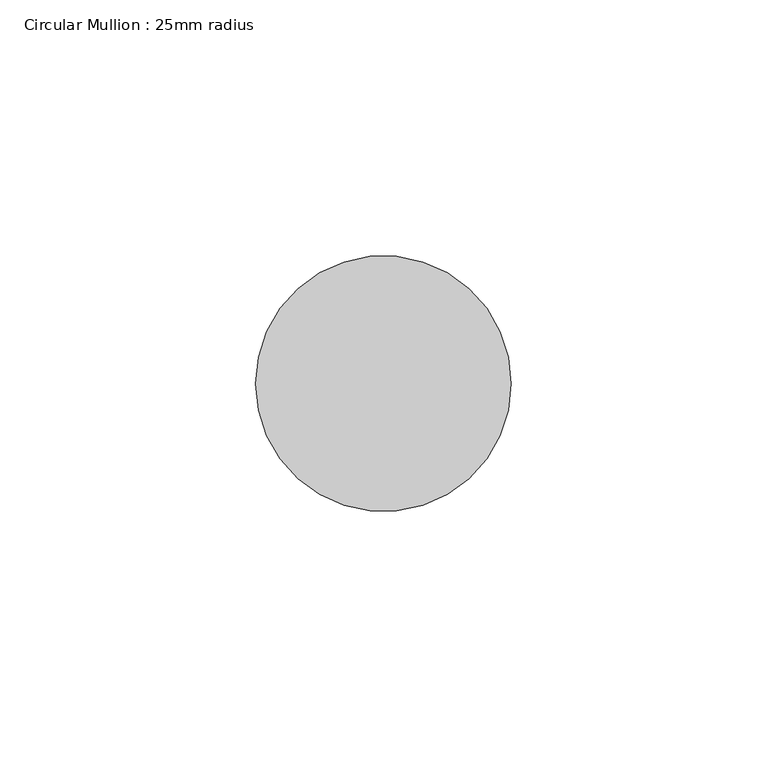
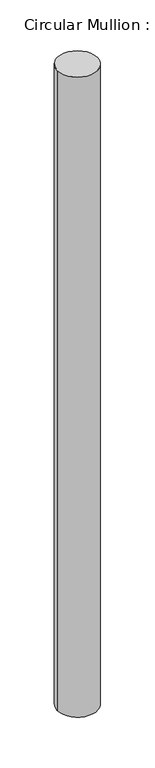
"""IFC4 building model written with IfcOpenShell, lengths in millimetres: member geometry, Circular Mullion : 25mm radius."""

from ifc_helpers import new_model, si_unit, point, frame, origin, origin_2d, place, context, project, spatial, circle_curve, trimmed, segment, composite_curve, outline, extrude, source, transform, mapped, element, save


def circular_mullion_25mm_radius_8c641b9d(model_context):
    return source(origin(), model_context, "Body", "SweptSolid", [
        extrude(outline(composite_curve([segment(trimmed(circle_curve(origin_2d(), 25.0), [point((25.0, 0.0))], [point((-25.0, 0.0))], False, "CARTESIAN"), True, "CONTINUOUS"), segment(trimmed(circle_curve(origin_2d(), 25.0), [point((-25.0, 0.0))], [point((25.0, 0.0))], False, "CARTESIAN"), True, "CONTINUOUS")], self_intersect=False)), frame((0.0, 0.0, -850.0), z_axis=(0.0, 0.0, 1.0), x_axis=(1.0, 0.0, 0.0)), (0.0, 0.0, 1.0), 850.0),
    ])


if __name__ == "__main__":
    model = new_model("IFC4")
    model_context = context("Model", 3, world=origin())
    ifc_project = project(units=[si_unit("LENGTHUNIT", "METRE", prefix="MILLI")], contexts=[model_context])
    site = spatial("IfcSite", under=ifc_project)
    building = spatial("IfcBuilding", under=site)
    placement = place(None, origin())
    circular_mullion_25mm_radius_shape = circular_mullion_25mm_radius_8c641b9d(model_context)
    element("IfcMember", 1, ObjectType="Circular Mullion : 25mm radius", at=placement, inside=building, context=model_context, shape_type="MappedRepresentation", body=[
        mapped(circular_mullion_25mm_radius_shape, transform((0.0, 0.0, 0.0), x_axis=(1.0, 0.0, 0.0), y_axis=(0.0, 1.0, 0.0), z_axis=(0.0, 0.0, 1.0))),
    ])
    save(model, "model.ifc")
